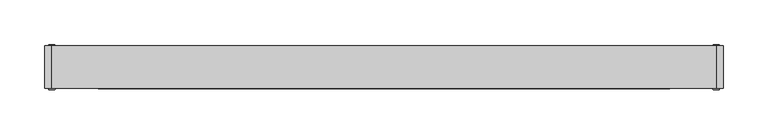
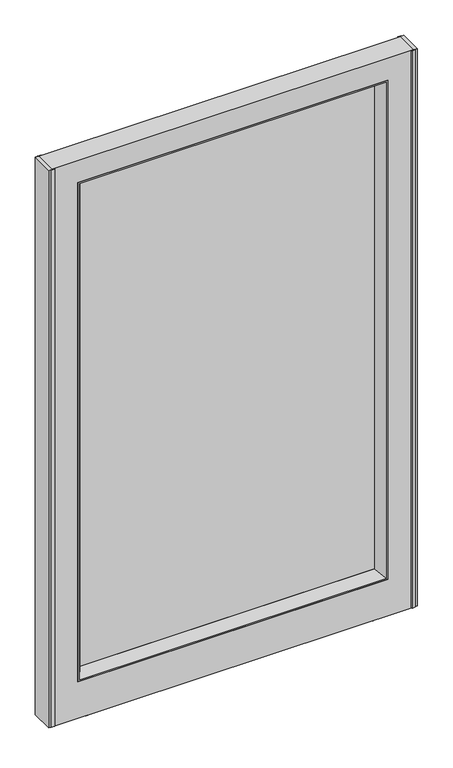
"""IFC4 building model written with IfcOpenShell, lengths in millimetres: furniture geometry."""

import ifcopenshell
import ifcopenshell.guid

model = None  # the IFC model being written
_history = None  # IfcOwnerHistory: only IFC2X3 demands one
_inside = {}  # id of a spatial element -> (the spatial element, [elements in it])
_under = {}  # id of a project, library or spatial element -> (it, [spatial elements below it])
_declared = {}  # id of a project -> (the project, [libraries it declares])
_typed = {}  # id of a type object -> (the type object, [elements of that type])
_made_of = {}  # id of a material, layer set ... -> (it, [elements and type objects made of it])


def new_model(schema):
    """Start an empty IFC model of exactly this schema.

    Asked for "IFC4X3", IfcOpenShell would pick the latest addendum, in which some entities
    have other attributes; the version numbers below select the first issue.
    IFC2X3 requires an IfcOwnerHistory on every rooted entity: one is made here for all.
    """
    global model, _history
    if schema == "IFC4X3":
        model = ifcopenshell.file(schema_version=(4, 3, 0, 0))
    else:
        model = ifcopenshell.file(schema=schema)
    _inside.clear()
    _under.clear()
    _declared.clear()
    _typed.clear()
    _made_of.clear()
    _history = None
    if model.schema == "IFC2X3":
        org = make("IfcOrganization", Name="unknown")
        user = make(
            "IfcPersonAndOrganization",
            ThePerson=make("IfcPerson", FamilyName="unknown"),
            TheOrganization=org,
        )
        app = make(
            "IfcApplication",
            ApplicationDeveloper=org,
            Version="unknown",
            ApplicationFullName="unknown",
            ApplicationIdentifier="unknown",
        )
        _history = make(
            "IfcOwnerHistory",
            OwningUser=user,
            OwningApplication=app,
            ChangeAction="ADDED",
            CreationDate=0,
        )
    return model


def make(cls, **values):
    """One entity of the class cls with the attributes given. An attribute that is None is left unset."""
    return model.create_entity(
        cls, **{name: value for name, value in values.items() if value is not None}
    )


def rooted(cls, **values):
    """An entity with a GlobalId (a new one), such as an element, a storey or a relation."""
    return make(cls, GlobalId=ifcopenshell.guid.new(), OwnerHistory=_history, **values)


def si_unit(unit_type, name, prefix=None):
    """IfcSIUnit, for example si_unit("LENGTHUNIT", "METRE", prefix="MILLI")."""
    return make("IfcSIUnit", UnitType=unit_type, Prefix=prefix, Name=name)


def assignment(units):
    """IfcUnitAssignment: the units of a project."""
    return None if units is None else make("IfcUnitAssignment", Units=units)


def point(xyz):
    """IfcCartesianPoint."""
    return None if xyz is None else make("IfcCartesianPoint", Coordinates=xyz)


def direction(xyz):
    """IfcDirection."""
    return None if xyz is None else make("IfcDirection", DirectionRatios=xyz)


def frame(location, z_axis=None, x_axis=None):
    """IfcAxis2Placement3D, a coordinate frame: its origin and axes. An axis left out is left unset."""
    return make(
        "IfcAxis2Placement3D",
        Location=point(location),
        Axis=direction(z_axis),
        RefDirection=direction(x_axis),
    )


def origin():
    """The frame at (0, 0, 0) with its axes left unset."""
    return frame((0.0, 0.0, 0.0))


def place(relative_to, where):
    """IfcLocalPlacement: puts the frame where relative to a parent placement (None: the world)."""
    return make(
        "IfcLocalPlacement", PlacementRelTo=relative_to, RelativePlacement=where
    )


def context(
    kind, dimensions, precision=None, world=None, true_north=None, identifier=None
):
    """IfcGeometricRepresentationContext, for example the 3D "Model" context."""
    return make(
        "IfcGeometricRepresentationContext",
        ContextIdentifier=identifier,
        ContextType=kind,
        CoordinateSpaceDimension=dimensions,
        Precision=precision,
        WorldCoordinateSystem=world,
        TrueNorth=true_north,
    )


def project(units=None, contexts=None):
    """IfcProject with its units and contexts."""
    return rooted(
        "IfcProject",
        Name="project",
        RepresentationContexts=contexts,
        UnitsInContext=assignment(units),
    )


def spatial(cls, under=None, at=None, **own):
    """A site, building, storey or space (cls), placed at a placement, below another one or the project."""
    s = rooted(cls, ObjectPlacement=at, **own)
    if under is not None:
        _under.setdefault(under.id(), (under, []))[1].append(s)
    return s


def polyline(points):
    """IfcPolyline through the points."""
    return make("IfcPolyline", Points=[point(p) for p in points])


def circle_curve(where, radius):
    """IfcCircle in the frame where."""
    return make("IfcCircle", Position=where, Radius=radius)


def outline(outer, holes=None, kind="AREA"):
    """IfcArbitraryClosedProfileDef: a profile drawn as a closed curve; with holes, ...WithVoids."""
    if holes is None:
        return make("IfcArbitraryClosedProfileDef", ProfileType=kind, OuterCurve=outer)
    return make(
        "IfcArbitraryProfileDefWithVoids",
        ProfileType=kind,
        OuterCurve=outer,
        InnerCurves=holes,
    )


def extrude(swept, where, along, depth):
    """IfcExtrudedAreaSolid: the profile swept, set in the frame where, extruded along a direction by depth."""
    return make(
        "IfcExtrudedAreaSolid",
        SweptArea=swept,
        Position=where,
        ExtrudedDirection=direction(along),
        Depth=depth,
    )


def faces_of(points, faces, orient=None, outer=None):
    """IfcFace entities. A face is a list of loops; a loop is a list of indices into points, from 0.

    orient and outer hold one flag for each loop. By default every Orientation is true, the
    first loop of a face is its IfcFaceOuterBound and the others are IfcFaceBound.
    """
    made = []
    for i, loops in enumerate(faces):
        bounds = []
        for j, loop in enumerate(loops):
            is_outer = j == 0 if outer is None else outer[i][j]
            bounds.append(
                make(
                    "IfcFaceOuterBound" if is_outer else "IfcFaceBound",
                    Bound=make("IfcPolyLoop", Polygon=[points[k] for k in loop]),
                    Orientation=True if orient is None else orient[i][j],
                )
            )
        made.append(make("IfcFace", Bounds=bounds))
    return made


def faceted_brep(points, faces, orient=None, outer=None, voids=None):
    """IfcFacetedBrep: a solid bounded by flat faces; with voids (closed shells), ...WithVoids."""
    shared = [point(p) for p in points]
    hull = make("IfcClosedShell", CfsFaces=faces_of(shared, faces, orient, outer))
    if voids is None:
        return make("IfcFacetedBrep", Outer=hull)
    return make(
        "IfcFacetedBrepWithVoids",
        Outer=hull,
        Voids=[
            make(cls, CfsFaces=faces_of(shared, fs, o, b)) for cls, fs, o, b in voids
        ],
    )


def shape(context_of_items, identifier, shape_type, items):
    """IfcShapeRepresentation: the items that make up one representation, for example the "Body"."""
    return make(
        "IfcShapeRepresentation",
        ContextOfItems=context_of_items,
        RepresentationIdentifier=identifier,
        RepresentationType=shape_type,
        Items=items,
    )


def source(mapping_origin, context_of_items, identifier, shape_type, items):
    """IfcRepresentationMap: a shape defined once, which mapped items show again and again."""
    return make(
        "IfcRepresentationMap",
        MappingOrigin=mapping_origin,
        MappedRepresentation=shape(context_of_items, identifier, shape_type, items),
    )


def transform(
    local_origin,
    x_axis=None,
    y_axis=None,
    z_axis=None,
    scale=None,
    scale2=None,
    scale3=None,
    uniform=True,
):
    """IfcCartesianTransformationOperator3D, or its non-uniform kind. x_axis, y_axis, z_axis: its Axis1, 2, 3."""
    if uniform:
        return make(
            "IfcCartesianTransformationOperator3D",
            Axis1=direction(x_axis),
            Axis2=direction(y_axis),
            LocalOrigin=point(local_origin),
            Scale=scale,
            Axis3=direction(z_axis),
        )
    return make(
        "IfcCartesianTransformationOperator3DnonUniform",
        Axis1=direction(x_axis),
        Axis2=direction(y_axis),
        LocalOrigin=point(local_origin),
        Scale=scale,
        Axis3=direction(z_axis),
        Scale2=scale2,
        Scale3=scale3,
    )


def mapped(mapping_source, mapping_target):
    """IfcMappedItem: shows the shape of a source again, moved by a transform."""
    return make(
        "IfcMappedItem", MappingSource=mapping_source, MappingTarget=mapping_target
    )


def made_of(thing, what):
    """Note that an element or type object is made of a material, layer set ...; save() writes the relation."""
    if what is not None:
        _made_of.setdefault(what.id(), (what, []))[1].append(thing)
    return thing


def element(
    cls,
    number,
    at=None,
    inside=None,
    cuts=None,
    type_object=None,
    material=None,
    context=None,
    identifier="Body",
    shape_type=None,
    held_by="IfcProductDefinitionShape",
    body=None,
    shapes=None,
    **own,
):
    """One element of the class cls, such as IfcWall. Its Tag is "e" and its number.

    at: its placement. inside: the storey or other place that contains it. cuts: it is an
    opening in that element (IfcRelVoidsElement). A single representation is given by context,
    identifier, shape_type and body (its items); several are given by shapes. held_by: the class
    of the entity that holds the representations. save() writes the other relations.
    """
    e = rooted(cls, Tag="e%d" % number, ObjectPlacement=at, **own)
    if body is not None:
        shapes = [shape(context, identifier, shape_type, body)]
    if shapes is not None:
        e.Representation = make(held_by, Representations=shapes)
    if inside is not None:
        _inside.setdefault(inside.id(), (inside, []))[1].append(e)
    if cuts is not None:
        rooted(
            "IfcRelVoidsElement", RelatingBuildingElement=cuts, RelatedOpeningElement=e
        )
    if type_object is not None:
        _typed.setdefault(type_object.id(), (type_object, []))[1].append(e)
    return made_of(e, material)


def aggregate(whole, parts):
    """IfcRelAggregates: a whole, such as a stair, and the parts it consists of."""
    return rooted("IfcRelAggregates", RelatingObject=whole, RelatedObjects=parts)


def save(model, path):
    """Write the relations noted so far, then the file.

    IfcRelAggregates (storeys below a building ...), IfcRelContainedInSpatialStructure (elements
    in a storey), IfcRelDefinesByType, IfcRelAssociatesMaterial and IfcRelDeclares: one each for
    every whole, place, type object, material and project.
    """
    for whole, parts in _under.values():
        aggregate(whole, parts)
    for where, things in _inside.values():
        rooted(
            "IfcRelContainedInSpatialStructure",
            RelatedElements=things,
            RelatingStructure=where,
        )
    for kind, things in _typed.values():
        rooted("IfcRelDefinesByType", RelatedObjects=things, RelatingType=kind)
    for what, things in _made_of.values():
        rooted("IfcRelAssociatesMaterial", RelatedObjects=things, RelatingMaterial=what)
    for by, libraries in _declared.values():
        rooted("IfcRelDeclares", RelatingContext=by, RelatedDefinitions=libraries)
    model.write(path)


def plane_surface(at):
    """IfcPlane: the flat surface through the origin of the frame at, square to its z axis."""
    return make("IfcPlane", Position=at)


def cylinder_surface(at, radius):
    """IfcCylindricalSurface: all points at the distance radius from the z axis of the frame at."""
    return make("IfcCylindricalSurface", Position=at, Radius=radius)


def advanced_brep(points, edges, surfaces, faces):
    """IfcAdvancedBrep: a solid bounded by faces that lie on surfaces and meet in shared edges.

    An edge is (start, end): straight between two places in points (the first is 0);
    or (start, end, curve); or (start, end, curve, False) where it runs against its curve.
    A face is (place in surfaces, loops), or (place, loops, False) where it looks against
    its surface's normal. A loop lists edges by number (the first is 1), with a minus sign
    where the edge is run from its end to its start. The first loop is the outer one.
    """
    corners = [point(p) for p in points]
    vertices = [make("IfcVertexPoint", VertexGeometry=c) for c in corners]
    made = []
    for start, end, *more in edges:
        made.append(
            make(
                "IfcEdgeCurve",
                EdgeStart=vertices[start],
                EdgeEnd=vertices[end],
                EdgeGeometry=more[0] if more else make("IfcPolyline", Points=[corners[start], corners[end]]),
                SameSense=more[1] if len(more) > 1 else True,
            )
        )
    hull = []
    for where, loops, *sense in faces:
        bounds = []
        for j, loop in enumerate(loops):
            ring = [make("IfcOrientedEdge", EdgeElement=made[abs(k) - 1], Orientation=k > 0) for k in loop]
            bounds.append(
                make(
                    "IfcFaceOuterBound" if j == 0 else "IfcFaceBound",
                    Bound=make("IfcEdgeLoop", EdgeList=ring),
                    Orientation=True,
                )
            )
        hull.append(make("IfcAdvancedFace", Bounds=bounds, FaceSurface=surfaces[where], SameSense=sense[0] if sense else True))
    return make("IfcAdvancedBrep", Outer=make("IfcClosedShell", CfsFaces=hull))


def furniture_c3b4713e(model_context):
    return source(origin(), model_context, "Body", "SolidModel", [
        faceted_brep([(385.7625121, -6.3500016, 9.525), (385.7625121, -6.3500016, 1228.725), (333.3750121, -6.3500016, 1228.725), (-307.9750121, -6.3500016, 1228.725), (-360.3625002, -6.3500016, 1228.725), (-360.3625002, -6.3500016, 9.525), (-307.9750121, -6.3500016, 1181.1), (333.3750121, -6.3500016, 1181.1), (333.3750121, -6.3500016, 88.9000038), (-307.9750121, -6.3500016, 88.9000038), (385.7625121, 41.2749984, 1228.725), (385.7625121, 41.2749984, 9.525), (-360.3625002, 41.2749984, 9.525), (-360.3625002, 41.2749984, 1228.725), (-307.9750121, 41.2749984, 1228.725), (333.3750121, 41.2749984, 1228.725), (333.3750121, 41.2749984, 1181.1), (-307.9750121, 41.2749984, 1181.1), (-307.9750121, 41.2749984, 88.9000038), (333.3750121, 41.2749984, 88.9000038)], [[[0, 1, 2, 3, 4, 5], [6, 7, 8, 9]], [[10, 11, 12, 13, 14, 15], [16, 17, 18, 19]], [[1, 10, 15, 14, 13, 4, 3, 2]], [[7, 6, 17, 16]], [[11, 0, 5, 12]], [[10, 1, 0, 11]], [[7, 16, 19, 8]], [[17, 6, 9, 18]], [[4, 13, 12, 5]], [[9, 8, 19, 18]]]),
        faceted_brep([(317.1443894, 14.2874985, 105.1305992), (317.1443894, 20.6374992, 105.1305992), (317.1443894, 20.6374992, 1164.8693773), (317.1443894, 14.2874985, 1164.8693773), (-291.7443894, 14.2874985, 105.1305992), (-291.7443894, 14.2874985, 1164.8693773), (-291.7443894, 20.6374992, 1164.8693773), (-291.7443894, 20.6374992, 105.1305992)], [[[0, 1, 2, 3]], [[4, 5, 6, 7]], [[1, 0, 4, 7]], [[2, 1, 7, 6]], [[3, 2, 6, 5]], [[0, 3, 5, 4]]]),
        faceted_brep([(333.3749849, -6.3500016, 88.9000038), (333.3749849, 41.2749984, 88.9000038), (333.3749849, 41.2749984, 1181.0999727), (333.3749849, -6.3500016, 1181.0999727), (317.1443894, 14.2874985, 105.1305992), (329.8189883, -6.3500016, 92.4560004), (329.8189883, -6.3500016, 1177.5439761), (317.1443894, 14.2874985, 1164.8693773), (317.1443894, 20.6374992, 105.1305992), (317.1443894, 20.6374992, 1164.8693773), (329.8189883, 41.2749984, 92.4560004), (329.8189883, 41.2749984, 1177.5439761), (-307.9749849, 41.2749984, 1181.0999727), (-307.9749849, -6.3500016, 1181.0999727), (-304.4189883, -6.3500016, 1177.5439761), (-291.7443894, 14.2874985, 1164.8693773), (-291.7443894, 20.6374992, 1164.8693773), (-304.4189883, 41.2749984, 1177.5439761), (-307.9749849, 41.2749984, 88.9000038), (-307.9749849, -6.3500016, 88.9000038), (-304.4189883, -6.3500016, 92.4560004), (-291.7443894, 14.2874985, 105.1305992), (-291.7443894, 20.6374992, 105.1305992), (-304.4189883, 41.2749984, 92.4560004)], [[[0, 1, 2, 3]], [[4, 5, 6, 7]], [[8, 4, 7, 9]], [[10, 8, 9, 11]], [[3, 2, 12, 13]], [[7, 6, 14, 15]], [[9, 7, 15, 16]], [[11, 9, 16, 17]], [[13, 12, 18, 19]], [[15, 14, 20, 21]], [[16, 15, 21, 22]], [[17, 16, 22, 23]], [[1, 18, 12, 2], [11, 17, 23, 10]], [[19, 18, 1, 0]], [[3, 13, 19, 0], [5, 20, 14, 6]], [[21, 20, 5, 4]], [[22, 21, 4, 8]], [[23, 22, 8, 10]]]),
        extrude(outline(polyline([(-368.3, -6.3500016), (-368.3, 41.2749984), (-360.3625002, 41.2749984), (-360.3625002, -6.3500016), (-368.3, -6.3500016)])), frame((0.0, 0.0, 9.525), z_axis=(0.0, 0.0, 1.0), x_axis=(1.0, 0.0, 0.0)), (0.0, 0.0, 1.0), 1219.2),
        extrude(outline(polyline([(393.7, -6.3500016), (385.7625002, -6.3500016), (385.7625002, 41.2749984), (393.7, 41.2749984), (393.7, -6.3500016)])), frame((0.0, 0.0, 9.525), z_axis=(0.0, 0.0, 1.0), x_axis=(1.0, 0.0, 0.0)), (0.0, 0.0, 1.0), 1219.2),
        extrude(outline(polyline([(388.9375, 41.2749984), (380.9999996, 41.2749984), (382.1226805, 42.8624985), (388.9375, 42.8624985), (388.9375, 41.2749984)])), frame((0.0, 0.0, 9.525), z_axis=(0.0, 0.0, 1.0), x_axis=(1.0, 0.0, 0.0)), (0.0, 0.0, 1.0), 1219.2),
        extrude(outline(polyline([(388.9375, -7.937503), (382.1226805, -7.937503), (380.9999996, -6.3500016), (388.9375, -6.3500016), (388.9375, -7.937503)])), frame((0.0, 0.0, 9.525), z_axis=(0.0, 0.0, 1.0), x_axis=(1.0, 0.0, 0.0)), (0.0, 0.0, 1.0), 1219.2),
        extrude(outline(polyline([(-363.5375, -7.937503), (-363.5375, -6.3500016), (-355.5999996, -6.3500016), (-356.7226805, -7.937503), (-363.5375, -7.937503)])), frame((0.0, 0.0, 9.525), z_axis=(0.0, 0.0, 1.0), x_axis=(1.0, 0.0, 0.0)), (0.0, 0.0, 1.0), 1219.2),
        extrude(outline(polyline([(-356.7226805, 42.8624985), (-355.5999996, 41.2749984), (-363.5375, 41.2749984), (-363.5375, 42.8624985), (-356.7226805, 42.8624985)])), frame((0.0, 0.0, 9.525), z_axis=(0.0, 0.0, 1.0), x_axis=(1.0, 0.0, 0.0)), (0.0, 0.0, 1.0), 1219.2),
        advanced_brep(
        [(-282.6317916, 17.4624984, 0.0), (-269.9317916, 17.4624984, 0.0), (-295.3317916, 17.4624984, 0.0), (-288.9817916, 17.4624984, 9.525), (-276.2817916, 17.4624984, 9.525), (-282.6317916, 17.4624984, 9.525), (-288.9817916, 17.4624984, 4.7625), (-276.2817916, 17.4624984, 4.7625), (-295.3317916, 17.4624984, 4.7625), (-269.9317916, 17.4624984, 4.7625)],
        [
            (0, 1),
            (1, 2, circle_curve(frame((-282.6317916, 17.4624984, 0.0), z_axis=(0.0, 0.0, -1.0), x_axis=(1.0, 0.0, 0.0)), 12.7)),
            (2, 0),
            (2, 1, circle_curve(frame((-282.6317916, 17.4624984, 0.0), z_axis=(0.0, 0.0, -1.0), x_axis=(1.0, 0.0, 0.0)), 12.7)),
            (3, 4, circle_curve(frame((-282.6317916, 17.4624984, 9.525), z_axis=(0.0, 0.0, 1.0), x_axis=(1.0, 0.0, 0.0)), 6.35)),
            (4, 5),
            (5, 3),
            (4, 3, circle_curve(frame((-282.6317916, 17.4624984, 9.525), z_axis=(0.0, 0.0, 1.0), x_axis=(1.0, 0.0, 0.0)), 6.35)),
            (6, 7, circle_curve(frame((-282.6317916, 17.4624984, 4.7625), z_axis=(0.0, 0.0, 1.0), x_axis=(1.0, 0.0, 0.0)), 6.35)),
            (7, 4),
            (3, 6),
            (7, 6, circle_curve(frame((-282.6317916, 17.4624984, 4.7625), z_axis=(0.0, 0.0, 1.0), x_axis=(1.0, 0.0, 0.0)), 6.35)),
            (8, 9, circle_curve(frame((-282.6317916, 17.4624984, 4.7625), z_axis=(0.0, 0.0, 1.0), x_axis=(1.0, 0.0, 0.0)), 12.7)),
            (9, 7),
            (6, 8),
            (9, 8, circle_curve(frame((-282.6317916, 17.4624984, 4.7625), z_axis=(0.0, 0.0, 1.0), x_axis=(1.0, 0.0, 0.0)), 12.7)),
            (1, 9),
            (8, 2),
        ],
        [
            plane_surface(frame((-282.6317916, 17.4624984, 0.0), z_axis=(0.0, 0.0, -1.0), x_axis=(1.0, 0.0, 0.0))),
            plane_surface(frame((-282.6317916, 17.4624984, 9.525), z_axis=(0.0, 0.0, 1.0), x_axis=(1.0, 0.0, 0.0))),
            cylinder_surface(frame((-282.6317916, 17.4624984, 39.2700562), z_axis=(0.0, 0.0, -1.0), x_axis=(1.0, 0.0, 0.0)), 6.35),
            plane_surface(frame((-282.6317916, 17.4624984, 4.7625), z_axis=(0.0, 0.0, 1.0), x_axis=(1.0, 0.0, 0.0))),
            cylinder_surface(frame((-282.6317916, 17.4624984, 39.2700562), z_axis=(0.0, 0.0, -1.0), x_axis=(1.0, 0.0, 0.0)), 12.7),
        ],
        [
            (0, [[1, 2, 3]]),
            (0, [[-3, 4, -1]]),
            (1, [[5, 6, 7]]),
            (1, [[8, -7, -6]]),
            (2, [[9, 10, -5, 11]]),
            (2, [[12, -11, -8, -10]]),
            (3, [[13, 14, -9, 15]]),
            (3, [[16, -15, -12, -14]]),
            (4, [[-2, 17, -13, 18]]),
            (4, [[-4, -18, -16, -17]]),
        ],
    ),
        advanced_brep(
        [(295.3317916, 17.4624984, 0.0), (320.7317916, 17.4624984, 0.0), (320.7317916, 17.4624984, 4.7625), (295.3317916, 17.4624984, 4.7625), (308.0317916, 17.4624984, 0.0), (301.6817916, 17.4624984, 9.525), (314.3817916, 17.4624984, 9.525), (308.0317916, 17.4624984, 9.525), (301.6817916, 17.4624984, 4.7625), (314.3817916, 17.4624984, 4.7625)],
        [
            (0, 1, circle_curve(frame((308.0317916, 17.4624984, 0.0), z_axis=(0.0, 0.0, 1.0), x_axis=(1.0, 0.0, 0.0)), 12.7)),
            (1, 2),
            (2, 3, circle_curve(frame((308.0317916, 17.4624984, 4.7625), z_axis=(0.0, 0.0, -1.0), x_axis=(1.0, 0.0, 0.0)), 12.7)),
            (3, 0),
            (1, 0, circle_curve(frame((308.0317916, 17.4624984, 0.0), z_axis=(0.0, 0.0, 1.0), x_axis=(1.0, 0.0, 0.0)), 12.7)),
            (3, 2, circle_curve(frame((308.0317916, 17.4624984, 4.7625), z_axis=(0.0, 0.0, -1.0), x_axis=(1.0, 0.0, 0.0)), 12.7)),
            (4, 1),
            (0, 4),
            (5, 6, circle_curve(frame((308.0317916, 17.4624984, 9.525), z_axis=(0.0, 0.0, 1.0), x_axis=(1.0, 0.0, 0.0)), 6.35)),
            (6, 7),
            (7, 5),
            (6, 5, circle_curve(frame((308.0317916, 17.4624984, 9.525), z_axis=(0.0, 0.0, 1.0), x_axis=(1.0, 0.0, 0.0)), 6.35)),
            (8, 9, circle_curve(frame((308.0317916, 17.4624984, 4.7625), z_axis=(0.0, 0.0, 1.0), x_axis=(1.0, 0.0, 0.0)), 6.35)),
            (9, 6),
            (5, 8),
            (9, 8, circle_curve(frame((308.0317916, 17.4624984, 4.7625), z_axis=(0.0, 0.0, 1.0), x_axis=(1.0, 0.0, 0.0)), 6.35)),
            (2, 9),
            (8, 3),
        ],
        [
            cylinder_surface(frame((308.0317916, 17.4624984, 42.8555685), z_axis=(0.0, 0.0, -1.0), x_axis=(1.0, 0.0, 0.0)), 12.7),
            plane_surface(frame((308.0317916, 17.4624984, 0.0), z_axis=(0.0, 0.0, -1.0), x_axis=(1.0, 0.0, 0.0))),
            plane_surface(frame((308.0317916, 17.4624984, 9.525), z_axis=(0.0, 0.0, 1.0), x_axis=(1.0, 0.0, 0.0))),
            cylinder_surface(frame((308.0317916, 17.4624984, 42.8555685), z_axis=(0.0, 0.0, -1.0), x_axis=(1.0, 0.0, 0.0)), 6.35),
            plane_surface(frame((308.0317916, 17.4624984, 4.7625), z_axis=(0.0, 0.0, 1.0), x_axis=(1.0, 0.0, 0.0))),
        ],
        [
            (0, [[1, 2, 3, 4]]),
            (0, [[5, -4, 6, -2]]),
            (1, [[7, -1, 8]]),
            (1, [[-8, -5, -7]]),
            (2, [[9, 10, 11]]),
            (2, [[12, -11, -10]]),
            (3, [[13, 14, -9, 15]]),
            (3, [[16, -15, -12, -14]]),
            (4, [[-3, 17, -13, 18]]),
            (4, [[-6, -18, -16, -17]]),
        ],
    ),
    ])


if __name__ == "__main__":
    model = new_model("IFC4")
    model_context = context("Model", 3, world=origin())
    ifc_project = project(units=[si_unit("LENGTHUNIT", "METRE", prefix="MILLI")], contexts=[model_context])
    site = spatial("IfcSite", under=ifc_project)
    building = spatial("IfcBuilding", under=site)
    placement = place(None, origin())
    furniture_shape = furniture_c3b4713e(model_context)
    element("IfcFurniture", 1, at=placement, inside=building, context=model_context, shape_type="MappedRepresentation", body=[
        mapped(furniture_shape, transform((0.0, 0.0, 0.0), x_axis=(1.0, 0.0, 0.0), y_axis=(0.0, 1.0, 0.0), z_axis=(0.0, 0.0, 1.0))),
    ])
    save(model, "model.ifc")
